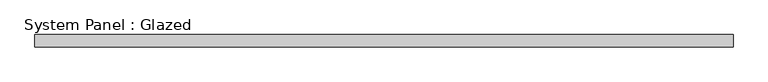
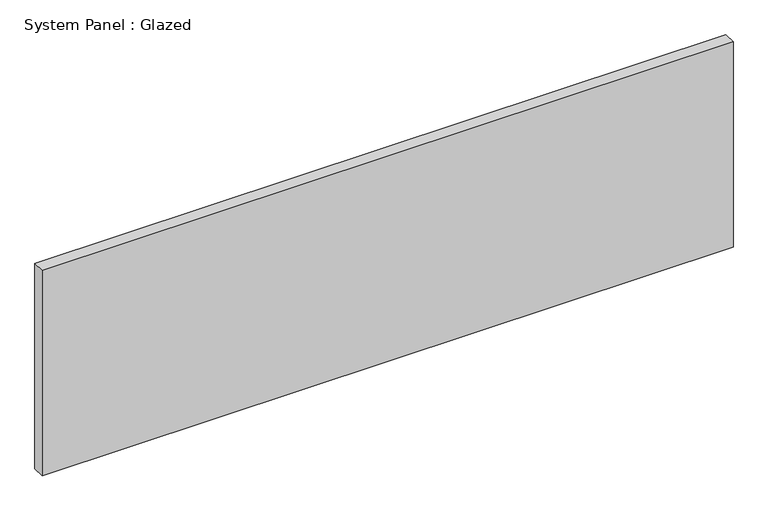
"""IFC4 building model written with IfcOpenShell, lengths in millimetres: plate geometry, System Panel : Glazed."""

from ifc_helpers import new_model, si_unit, origin, origin_with_axes, place, context, project, spatial, polyline, outline, extrude, source, transform, mapped, element, save


def system_panel_glazed_f98bf3fc(model_context):
    return source(origin(), model_context, "Body", "SweptSolid", [
        extrude(outline(polyline([(699.256285, -49.5), (-699.256285, -49.5), (-699.256285, -24.5), (699.256285, -24.5), (699.256285, -49.5)])), origin_with_axes(), (0.0, 0.0, 1.0), 439.3649013),
    ])


if __name__ == "__main__":
    model = new_model("IFC4")
    model_context = context("Model", 3, world=origin())
    ifc_project = project(units=[si_unit("LENGTHUNIT", "METRE", prefix="MILLI")], contexts=[model_context])
    site = spatial("IfcSite", under=ifc_project)
    building = spatial("IfcBuilding", under=site)
    placement = place(None, origin())
    system_panel_glazed_shape = system_panel_glazed_f98bf3fc(model_context)
    element("IfcPlate", 1, ObjectType="System Panel : Glazed", at=placement, inside=building, context=model_context, shape_type="MappedRepresentation", body=[
        mapped(system_panel_glazed_shape, transform((0.0, 0.0, 0.0), x_axis=(1.0, 0.0, 0.0), y_axis=(0.0, 1.0, 0.0), z_axis=(0.0, 0.0, 1.0))),
    ])
    save(model, "model.ifc")
